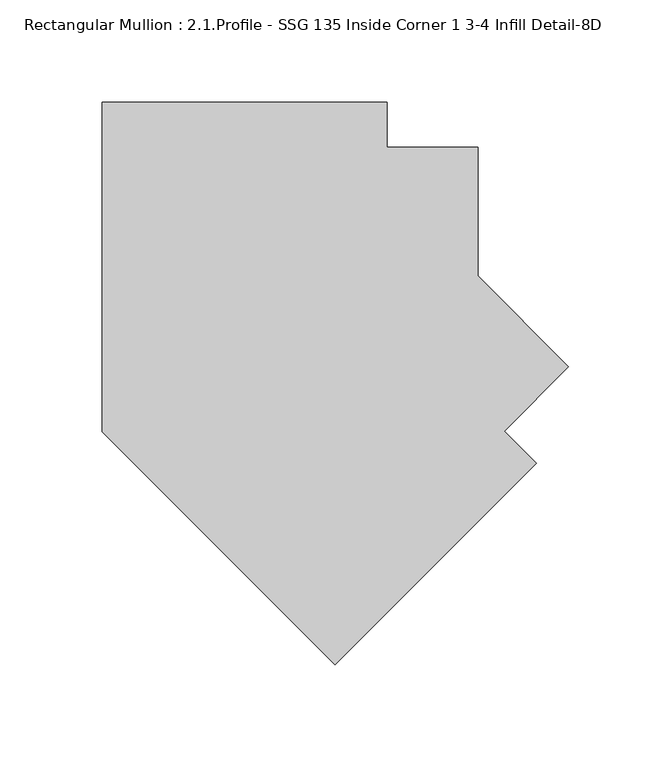
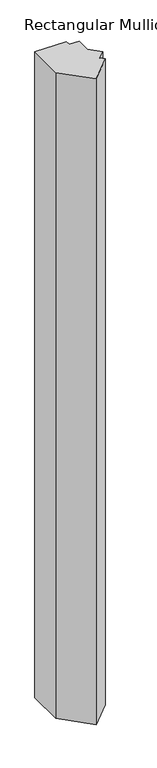
"""IFC4 building model written with IfcOpenShell, lengths in millimetres: member geometry, Rectangular Mullion : 2.1.Profile - SSG 135 Inside Corner 1 3-4 Infill Detail-8D."""

from ifc_helpers import new_model, si_unit, frame, origin, place, context, project, spatial, polyline, outline, extrude, source, transform, mapped, element, save


def rectangular_mullion_2_1_profile_ssg_135_inside_corner_1_3_4_b05e2da4(model_context):
    return source(origin(), model_context, "Body", "SweptSolid", [
        extrude(outline(polyline([(-88.9661629, 123.5988714), (-88.9661629, 101.3739846), (-44.5161685, 101.3739846), (-44.5161685, 38.4186154), (0.0, -6.0975531), (-31.4273243, -37.5248777), (-15.7119562, -53.2402458), (-114.498338, -152.0266277), (-228.6661579, -37.8588078), (-228.6661579, 123.5988714), (-88.9661629, 123.5988714)])), frame((0.0, 0.0, -3048.0), z_axis=(0.0, 0.0, 1.0), x_axis=(1.0, 0.0, 0.0)), (0.0, 0.0, 1.0), 3048.0),
    ])


if __name__ == "__main__":
    model = new_model("IFC4")
    model_context = context("Model", 3, world=origin())
    ifc_project = project(units=[si_unit("LENGTHUNIT", "METRE", prefix="MILLI")], contexts=[model_context])
    site = spatial("IfcSite", under=ifc_project)
    building = spatial("IfcBuilding", under=site)
    placement = place(None, origin())
    rectangular_mullion_2_1_profile_ssg_135_inside_corner_1_3_4_shape = rectangular_mullion_2_1_profile_ssg_135_inside_corner_1_3_4_b05e2da4(model_context)
    element("IfcMember", 1, ObjectType="Rectangular Mullion : 2.1.Profile - SSG 135 Inside Corner 1 3-4 Infill Detail-8D", at=placement, inside=building, context=model_context, shape_type="MappedRepresentation", body=[
        mapped(rectangular_mullion_2_1_profile_ssg_135_inside_corner_1_3_4_shape, transform((0.0, 0.0, 0.0), x_axis=(1.0, 0.0, 0.0), y_axis=(0.0, 1.0, 0.0), z_axis=(0.0, 0.0, 1.0))),
    ])
    save(model, "model.ifc")
